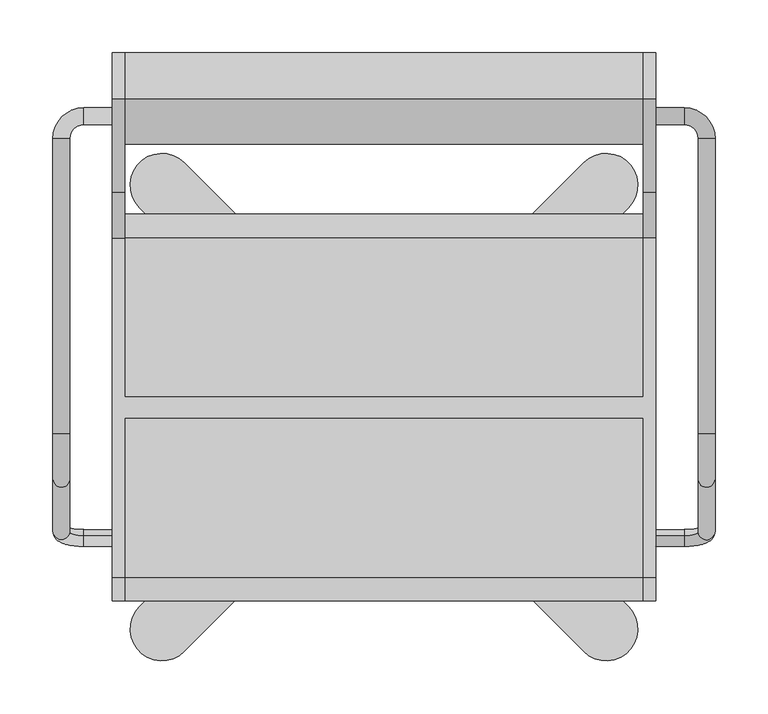
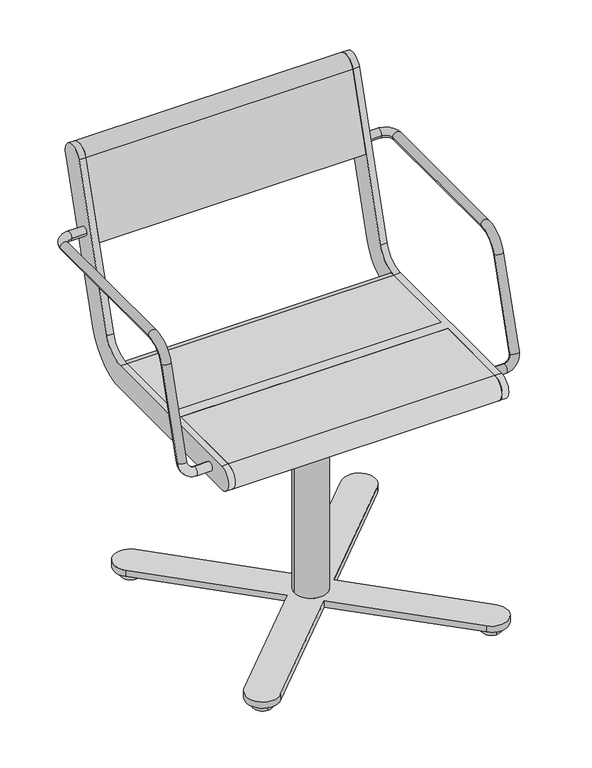
"""IFC4 building model written with IfcOpenShell, lengths in millimetres: furniture geometry."""

from ifc_helpers import new_model, si_unit, point, frame, frame_2d, origin, place, context, project, spatial, polyline, circle_curve, ellipse_curve, trimmed, segment, composite_curve, outline, extrude, source, transform, mapped, element, save
from ifc_brep_helpers import plane_surface, cylinder_surface, revolved_surface, advanced_brep


def furniture_76f07b71(model_context):
    return source(origin(), model_context, "Body", "SolidModel", [
        advanced_brep(
        [(-30.0, 0.0, 389.0), (-30.0, 0.0, 27.0), (30.0, 0.0, 27.0), (30.0, 0.0, 389.0), (75.0, -125.0, 405.0), (75.0, -125.0, 389.0), (75.0, 125.0, 389.0), (75.0, 125.0, 405.0), (-75.0, -125.0, 405.0), (-75.0, 125.0, 405.0), (-75.0, 125.0, 389.0), (-75.0, -125.0, 389.0), (-188.7867966, 231.2132034, 27.0), (-231.2132034, 188.7867966, 27.0), (-42.4264069, 0.0, 27.0), (-231.2132034, -188.7867966, 27.0), (-188.7867966, -231.2132034, 27.0), (0.0, -42.4264069, 27.0), (188.7867966, -231.2132034, 27.0), (231.2132034, -188.7867966, 27.0), (42.4264069, 0.0, 27.0), (231.2132034, 188.7867966, 27.0), (188.7867966, 231.2132034, 27.0), (0.0, 42.4264069, 27.0), (-188.7867966, 231.2132034, 15.0), (0.0, 42.4264069, 15.0), (188.7867966, 231.2132034, 15.0), (231.2132034, 188.7867966, 15.0), (42.4264069, 0.0, 15.0), (231.2132034, -188.7867966, 15.0), (188.7867966, -231.2132034, 15.0), (0.0, -42.4264069, 15.0), (-188.7867966, -231.2132034, 15.0), (-231.2132034, -188.7867966, 15.0), (-42.4264069, 0.0, 15.0), (-231.2132034, 188.7867966, 15.0), (-210.0, 226.9921875, 15.0), (-210.0, 192.9921875, 15.0), (210.0, 226.9921875, 15.0), (210.0, 192.9921875, 15.0), (-210.0, -226.9921875, 15.0), (-210.0, -192.9921875, 15.0), (210.0, -226.9921875, 15.0), (210.0, -192.9921875, 15.0), (-210.0, 226.9921875, 0.0), (-210.0, 192.9921875, 0.0), (210.0, 226.9921875, 0.0), (210.0, 192.9921875, 0.0), (-210.0, -226.9921875, 0.0), (-210.0, -192.9921875, 0.0), (210.0, -226.9921875, 0.0), (210.0, -192.9921875, 0.0)],
        [
            (0, 1),
            (1, 2, circle_curve(frame((0.0, 0.0, 27.0), z_axis=(0.0, 0.0, 1.0), x_axis=(1.0, 0.0, 0.0)), 30.0)),
            (2, 3),
            (3, 0, circle_curve(frame((0.0, 0.0, 389.0), z_axis=(0.0, 0.0, -1.0), x_axis=(1.0, 0.0, 0.0)), 30.0)),
            (0, 3, circle_curve(frame((0.0, 0.0, 389.0), z_axis=(0.0, 0.0, -1.0), x_axis=(1.0, 0.0, 0.0)), 30.0)),
            (2, 1, circle_curve(frame((0.0, 0.0, 27.0), z_axis=(0.0, 0.0, 1.0), x_axis=(1.0, 0.0, 0.0)), 30.0)),
            (4, 5),
            (5, 6),
            (6, 7),
            (7, 4),
            (8, 9),
            (9, 10),
            (10, 11),
            (11, 8),
            (4, 8),
            (11, 5),
            (10, 6),
            (9, 7),
            (12, 13, circle_curve(frame((-210.0, 210.0, 27.0), z_axis=(0.0, 0.0, 1.0), x_axis=(0.0, -1.0, 0.0)), 30.0)),
            (13, 14),
            (14, 15),
            (15, 16, circle_curve(frame((-210.0, -210.0, 27.0), z_axis=(0.0, 0.0, 1.0), x_axis=(1.0, 0.0, 0.0)), 30.0)),
            (16, 17),
            (17, 18),
            (18, 19, circle_curve(frame((210.0, -210.0, 27.0), z_axis=(0.0, 0.0, 1.0), x_axis=(1.0, 0.0, 0.0)), 30.0)),
            (19, 20),
            (20, 21),
            (21, 22, circle_curve(frame((210.0, 210.0, 27.0), z_axis=(0.0, 0.0, 1.0), x_axis=(0.0, -1.0, 0.0)), 30.0)),
            (22, 23),
            (23, 12),
            (24, 25),
            (25, 26),
            (26, 27, circle_curve(frame((210.0, 210.0, 15.0), z_axis=(0.0, 0.0, -1.0), x_axis=(0.0, -1.0, 0.0)), 30.0)),
            (27, 28),
            (28, 29),
            (29, 30, circle_curve(frame((210.0, -210.0, 15.0), z_axis=(0.0, 0.0, -1.0), x_axis=(1.0, 0.0, 0.0)), 30.0)),
            (30, 31),
            (31, 32),
            (32, 33, circle_curve(frame((-210.0, -210.0, 15.0), z_axis=(0.0, 0.0, -1.0), x_axis=(1.0, 0.0, 0.0)), 30.0)),
            (33, 34),
            (34, 35),
            (35, 24, circle_curve(frame((-210.0, 210.0, 15.0), z_axis=(0.0, 0.0, -1.0), x_axis=(0.0, -1.0, 0.0)), 30.0)),
            (36, 37, circle_curve(frame((-210.0, 209.9921875, 15.0), z_axis=(0.0, 0.0, 1.0), x_axis=(0.0, -1.0, 0.0)), 17.0)),
            (37, 36, circle_curve(frame((-210.0, 209.9921875, 15.0), z_axis=(0.0, 0.0, 1.0), x_axis=(0.0, -1.0, 0.0)), 17.0)),
            (38, 39, circle_curve(frame((210.0, 209.9921875, 15.0), z_axis=(0.0, 0.0, 1.0), x_axis=(0.0, -1.0, 0.0)), 17.0)),
            (39, 38, circle_curve(frame((210.0, 209.9921875, 15.0), z_axis=(0.0, 0.0, 1.0), x_axis=(0.0, -1.0, 0.0)), 17.0)),
            (40, 41, circle_curve(frame((-210.0, -209.9921875, 15.0), z_axis=(0.0, 0.0, 1.0), x_axis=(0.0, 1.0, 0.0)), 17.0)),
            (41, 40, circle_curve(frame((-210.0, -209.9921875, 15.0), z_axis=(0.0, 0.0, 1.0), x_axis=(0.0, 1.0, 0.0)), 17.0)),
            (42, 43, circle_curve(frame((210.0, -209.9921875, 15.0), z_axis=(0.0, 0.0, 1.0), x_axis=(0.0, 1.0, 0.0)), 17.0)),
            (43, 42, circle_curve(frame((210.0, -209.9921875, 15.0), z_axis=(0.0, 0.0, 1.0), x_axis=(0.0, 1.0, 0.0)), 17.0)),
            (44, 45, circle_curve(frame((-210.0, 209.9921875, 0.0), z_axis=(0.0, 0.0, -1.0), x_axis=(0.0, -1.0, 0.0)), 17.0)),
            (45, 44, circle_curve(frame((-210.0, 209.9921875, 0.0), z_axis=(0.0, 0.0, -1.0), x_axis=(0.0, -1.0, 0.0)), 17.0)),
            (46, 47, circle_curve(frame((210.0, 209.9921875, 0.0), z_axis=(0.0, 0.0, -1.0), x_axis=(0.0, -1.0, 0.0)), 17.0)),
            (47, 46, circle_curve(frame((210.0, 209.9921875, 0.0), z_axis=(0.0, 0.0, -1.0), x_axis=(0.0, -1.0, 0.0)), 17.0)),
            (48, 49, circle_curve(frame((-210.0, -209.9921875, 0.0), z_axis=(0.0, 0.0, -1.0), x_axis=(0.0, 1.0, 0.0)), 17.0)),
            (49, 48, circle_curve(frame((-210.0, -209.9921875, 0.0), z_axis=(0.0, 0.0, -1.0), x_axis=(0.0, 1.0, 0.0)), 17.0)),
            (50, 51, circle_curve(frame((210.0, -209.9921875, 0.0), z_axis=(0.0, 0.0, -1.0), x_axis=(0.0, 1.0, 0.0)), 17.0)),
            (51, 50, circle_curve(frame((210.0, -209.9921875, 0.0), z_axis=(0.0, 0.0, -1.0), x_axis=(0.0, 1.0, 0.0)), 17.0)),
            (45, 37),
            (36, 44),
            (47, 39),
            (38, 46),
            (12, 24),
            (35, 13),
            (34, 14),
            (33, 15),
            (32, 16),
            (31, 17),
            (30, 18),
            (29, 19),
            (28, 20),
            (27, 21),
            (26, 22),
            (25, 23),
            (49, 41),
            (40, 48),
            (51, 43),
            (42, 50),
        ],
        [
            cylinder_surface(frame((0.0, 0.0, 27.0), z_axis=(0.0, 0.0, 1.0), x_axis=(1.0, 0.0, 0.0)), 30.0),
            plane_surface(frame((75.0, -125.0, 405.0), z_axis=(1.0, 0.0, 0.0), x_axis=(0.0, 0.0, -1.0))),
            plane_surface(frame((-75.0, -125.0, 405.0), z_axis=(-1.0, 0.0, 0.0), x_axis=(0.0, 0.0, 1.0))),
            plane_surface(frame((75.0, -125.0, 405.0), z_axis=(0.0, -1.0, 0.0), x_axis=(-1.0, 0.0, 0.0))),
            plane_surface(frame((75.0, -125.0, 389.0), z_axis=(0.0, 0.0, -1.0), x_axis=(-1.0, 0.0, 0.0))),
            plane_surface(frame((75.0, 125.0, 389.0), z_axis=(0.0, 1.0, 0.0), x_axis=(-1.0, 0.0, 0.0))),
            plane_surface(frame((75.0, 125.0, 405.0), z_axis=(0.0, 0.0, 1.0), x_axis=(-1.0, 0.0, 0.0))),
            plane_surface(frame((-210.0, 180.0, 27.0), z_axis=(0.0, 0.0, 1.0), x_axis=(1.0, 0.0, 0.0))),
            plane_surface(frame((-210.0, 180.0, 15.0), z_axis=(0.0, 0.0, -1.0), x_axis=(-1.0, 0.0, 0.0))),
            plane_surface(frame((-210.0, 192.9921875, 0.0), z_axis=(0.0, 0.0, -1.0), x_axis=(-1.0, 0.0, 0.0))),
            cylinder_surface(frame((-210.0, 209.9921875, 0.0), z_axis=(0.0, 0.0, 1.0), x_axis=(0.0, -1.0, 0.0)), 17.0),
            cylinder_surface(frame((210.0, 209.9921875, 0.0), z_axis=(0.0, 0.0, 1.0), x_axis=(0.0, -1.0, 0.0)), 17.0),
            cylinder_surface(frame((-210.0, 210.0, 15.0), z_axis=(0.0, 0.0, 1.0), x_axis=(0.0, -1.0, 0.0)), 30.0),
            plane_surface(frame((-231.2132034, 188.7867966, 27.0), z_axis=(-0.7071067811865475, -0.7071067811865476, 0.0), x_axis=(0.0, 0.0, -1.0))),
            plane_surface(frame((-42.4264069, 0.0, 27.0), z_axis=(-0.7071067811865476, 0.7071067811865476, 0.0), x_axis=(0.0, 0.0, -1.0))),
            cylinder_surface(frame((-210.0, -210.0, 15.0), z_axis=(0.0, 0.0, 1.0), x_axis=(1.0, 0.0, 0.0)), 30.0),
            plane_surface(frame((-188.7867966, -231.2132034, 27.0), z_axis=(0.7071067811865476, -0.7071067811865475, 0.0), x_axis=(0.0, 0.0, -1.0))),
            plane_surface(frame((0.0, -42.4264069, 27.0), z_axis=(-0.7071067811865478, -0.7071067811865472, 0.0), x_axis=(0.0, 0.0, -1.0))),
            cylinder_surface(frame((210.0, -210.0, 15.0), z_axis=(0.0, 0.0, 1.0), x_axis=(1.0, 0.0, 0.0)), 30.0),
            plane_surface(frame((231.2132034, -188.7867966, 27.0), z_axis=(0.7071067811865477, 0.7071067811865474, 0.0), x_axis=(0.0, 0.0, -1.0))),
            plane_surface(frame((42.4264069, 0.0, 27.0), z_axis=(0.7071067811865478, -0.7071067811865474, 0.0), x_axis=(0.0, 0.0, -1.0))),
            cylinder_surface(frame((210.0, 210.0, 15.0), z_axis=(0.0, 0.0, 1.0), x_axis=(0.0, -1.0, 0.0)), 30.0),
            plane_surface(frame((188.7867966, 231.2132034, 27.0), z_axis=(-0.7071067811865472, 0.7071067811865479, 0.0), x_axis=(0.0, 0.0, -1.0))),
            plane_surface(frame((0.0, 42.4264069, 27.0), z_axis=(0.7071067811865478, 0.7071067811865472, 0.0), x_axis=(0.0, 0.0, -1.0))),
            cylinder_surface(frame((-210.0, -209.9921875, 0.0), z_axis=(0.0, 0.0, 1.0), x_axis=(0.0, 1.0, 0.0)), 17.0),
            cylinder_surface(frame((210.0, -209.9921875, 0.0), z_axis=(0.0, 0.0, 1.0), x_axis=(0.0, 1.0, 0.0)), 17.0),
        ],
        [
            (0, [[1, 2, 3, 4]]),
            (0, [[-1, 5, -3, 6]]),
            (1, [[7, 8, 9, 10]]),
            (2, [[11, 12, 13, 14]]),
            (3, [[-7, 15, -14, 16]]),
            (4, [[-8, -16, -13, 17], [-4, -5]]),
            (5, [[-9, -17, -12, 18]]),
            (6, [[-10, -18, -11, -15]]),
            (7, [[19, 20, 21, 22, 23, 24, 25, 26, 27, 28, 29, 30], [-2, -6]]),
            (8, [[31, 32, 33, 34, 35, 36, 37, 38, 39, 40, 41, 42], [43, 44], [45, 46], [47, 48], [49, 50]]),
            (9, [[51, 52]]),
            (9, [[53, 54]]),
            (9, [[55, 56]]),
            (9, [[57, 58]]),
            (10, [[-52, 59, -43, 60]]),
            (10, [[-51, -60, -44, -59]]),
            (11, [[-54, 61, -45, 62]]),
            (11, [[-53, -62, -46, -61]]),
            (12, [[-19, 63, -42, 64]]),
            (13, [[-20, -64, -41, 65]]),
            (14, [[-21, -65, -40, 66]]),
            (15, [[-22, -66, -39, 67]]),
            (16, [[-23, -67, -38, 68]]),
            (17, [[-24, -68, -37, 69]]),
            (18, [[-25, -69, -36, 70]]),
            (19, [[-26, -70, -35, 71]]),
            (20, [[-27, -71, -34, 72]]),
            (21, [[-28, -72, -33, 73]]),
            (22, [[-29, -73, -32, 74]]),
            (23, [[-30, -74, -31, -63]]),
            (24, [[-56, 75, -47, 76]]),
            (24, [[-55, -76, -48, -75]]),
            (25, [[-58, 77, -49, 78]]),
            (25, [[-57, -78, -50, -77]]),
        ],
    ),
        advanced_brep(
        [(-257.0, -121.6610264, 435.150438), (-257.0, -126.3389736, 419.849562), (-284.0, -126.3389736, 419.849562), (-284.0, -121.6610264, 435.150438), (-313.0, -117.8601942, 447.5823999), (-297.0, -117.8601942, 447.5823999), (-313.0, 254.0, 641.5), (-313.0, -25.2753858, 641.5), (-297.0, -25.2753858, 641.5), (-297.0, 254.0, 641.5), (-297.0, -68.3090998, 609.6567267), (-313.0, -68.3090998, 609.6567267), (-257.0, 267.0, 641.5), (-257.0, 283.0, 641.5), (-284.0, 283.0, 641.5), (-284.0, 267.0, 641.5)],
        [
            (0, 1, circle_curve(frame((-257.0, -124.0, 427.5), z_axis=(1.0, 0.0, 0.0), x_axis=(0.0, -0.2923717047227402, -0.9563047559630344)), 8.0)),
            (1, 0, circle_curve(frame((-257.0, -124.0, 427.5), z_axis=(1.0, 0.0, 0.0), x_axis=(0.0, -0.2923717047227402, -0.9563047559630344)), 8.0)),
            (1, 2),
            (2, 3, circle_curve(frame((-284.0, -124.0, 427.5), z_axis=(1.0, 0.0, 0.0), x_axis=(0.0, -0.2923717047227402, -0.9563047559630344)), 8.0)),
            (3, 0),
            (3, 2, circle_curve(frame((-284.0, -124.0, 427.5), z_axis=(1.0, 0.0, 0.0), x_axis=(0.0, -0.2923717047227402, -0.9563047559630344)), 8.0)),
            (2, 4, circle_curve(frame((-284.0, -117.8601942, 447.5823999), z_axis=(0.0, 0.9563047559630344, -0.29237170472274027), x_axis=(0.0, -0.29237170472274027, -0.9563047559630344)), 29.0)),
            (4, 5, circle_curve(frame((-305.0, -117.8601942, 447.5823999), z_axis=(0.0, -0.29237170472274027, -0.9563047559630344), x_axis=(-1.0, 0.0, 0.0)), 8.0)),
            (5, 3, circle_curve(frame((-284.0, -117.8601942, 447.5823999), z_axis=(0.0, -0.9563047559630344, 0.29237170472274027), x_axis=(0.0, -0.29237170472274027, -0.9563047559630344)), 13.0)),
            (5, 4, circle_curve(frame((-305.0, -117.8601942, 447.5823999), z_axis=(0.0, -0.29237170472274027, -0.9563047559630344), x_axis=(-1.0, 0.0, 0.0)), 8.0)),
            (6, 7),
            (7, 8, circle_curve(frame((-305.0, -25.2753858, 641.5), z_axis=(0.0, 1.0, 0.0), x_axis=(-1.0, 0.0, 0.0)), 8.0)),
            (8, 9),
            (9, 6, circle_curve(frame((-305.0, 254.0, 641.5), z_axis=(0.0, -1.0, 0.0), x_axis=(-1.0, 0.0, 0.0)), 8.0)),
            (6, 9, circle_curve(frame((-305.0, 254.0, 641.5), z_axis=(0.0, -1.0, 0.0), x_axis=(-1.0, 0.0, 0.0)), 8.0)),
            (8, 7, circle_curve(frame((-305.0, -25.2753858, 641.5), z_axis=(0.0, 1.0, 0.0), x_axis=(-1.0, 0.0, 0.0)), 8.0)),
            (10, 11, circle_curve(frame((-305.0, -68.3090998, 609.6567267), z_axis=(0.0, -0.2923717047227378, -0.9563047559630351), x_axis=(-1.0, 0.0, 0.0)), 8.0)),
            (11, 4),
            (5, 10),
            (11, 10, circle_curve(frame((-305.0, -68.3090998, 609.6567267), z_axis=(0.0, -0.2923717047227378, -0.9563047559630351), x_axis=(-1.0, 0.0, 0.0)), 8.0)),
            (7, 11, circle_curve(frame((-313.0, -25.2753858, 596.5), z_axis=(1.0, 0.0, 0.0), x_axis=(0.0, 0.0, 1.0)), 45.0)),
            (10, 8, circle_curve(frame((-297.0, -25.2753858, 596.5), z_axis=(-1.0, 0.0, 0.0), x_axis=(0.0, 0.0, 1.0)), 45.0)),
            (12, 13, circle_curve(frame((-257.0, 275.0, 641.5), z_axis=(1.0, 0.0, 0.0), x_axis=(0.0, 1.0, 0.0)), 8.0)),
            (13, 12, circle_curve(frame((-257.0, 275.0, 641.5), z_axis=(1.0, 0.0, 0.0), x_axis=(0.0, 1.0, 0.0)), 8.0)),
            (13, 14),
            (14, 15, circle_curve(frame((-284.0, 275.0, 641.5), z_axis=(1.0, 0.0, 0.0), x_axis=(0.0, 1.0, 0.0)), 8.0)),
            (15, 12),
            (15, 14, circle_curve(frame((-284.0, 275.0, 641.5), z_axis=(1.0, 0.0, 0.0), x_axis=(0.0, 1.0, 0.0)), 8.0)),
            (14, 6, circle_curve(frame((-284.0, 254.0, 641.5), z_axis=(0.0, 0.0, 1.0), x_axis=(0.0, 1.0, 0.0)), 29.0)),
            (9, 15, circle_curve(frame((-284.0, 254.0, 641.5), z_axis=(0.0, 0.0, -1.0), x_axis=(0.0, 1.0, 0.0)), 13.0)),
        ],
        [
            plane_surface(frame((-257.0, -737.469501, 615.0564486), z_axis=(1.0, 0.0, 0.0), x_axis=(0.0, 0.9563047559630344, -0.29237170472274027))),
            cylinder_surface(frame((-257.0, -124.0, 427.5), z_axis=(1.0, 0.0, 0.0), x_axis=(0.0, -0.2923717047227402, -0.9563047559630344)), 8.0),
            revolved_surface(trimmed(ellipse_curve(frame((-284.0, -124.0, 427.5), z_axis=(1.0, 0.0, 0.0), x_axis=(0.0, -0.2923717047227402, -0.9563047559630344)), 8.0, 8.0), [point((-284.0, -126.3389736, 419.849562))], [point((-284.0, -121.6610264, 435.150438))], True, "CARTESIAN"), (-284.0, -731.3296952, 635.1388485), (0.0, 0.9563047559630344, -0.29237170472274027)),
            revolved_surface(trimmed(ellipse_curve(frame((-284.0, -124.0, 427.5), z_axis=(1.0, 0.0, 0.0), x_axis=(0.0, -0.2923717047227402, -0.9563047559630344)), 8.0, 8.0), [point((-284.0, -121.6610264, 435.150438))], [point((-284.0, -126.3389736, 419.849562))], True, "CARTESIAN"), (-284.0, -731.3296952, 635.1388485), (0.0, 0.9563047559630344, -0.29237170472274027)),
            cylinder_surface(frame((-305.0, 254.0, 641.5), z_axis=(0.0, 1.0, 0.0), x_axis=(-1.0, 0.0, 0.0)), 8.0),
            cylinder_surface(frame((-305.0, -68.3090998, 609.6567267), z_axis=(0.0, 0.2923717047227378, 0.9563047559630351), x_axis=(-1.0, 0.0, 0.0)), 8.0),
            revolved_surface(trimmed(ellipse_curve(frame((-305.0, -25.2753858, 641.5), z_axis=(0.0, 1.0, 0.0), x_axis=(-1.0, 0.0, 0.0)), 8.0, 8.0), [point((-313.0, -25.2753858, 641.5))], [point((-297.0, -25.2753858, 641.5))], True, "CARTESIAN"), (0.0, -25.2753858, 596.5), (1.0, 0.0, 0.0)),
            revolved_surface(trimmed(ellipse_curve(frame((-305.0, -25.2753858, 641.5), z_axis=(0.0, 1.0, 0.0), x_axis=(-1.0, 0.0, 0.0)), 8.0, 8.0), [point((-297.0, -25.2753858, 641.5))], [point((-313.0, -25.2753858, 641.5))], True, "CARTESIAN"), (0.0, -25.2753858, 596.5), (1.0, 0.0, 0.0)),
            plane_surface(frame((-257.0, 275.0, 405.0), z_axis=(1.0, 0.0, 0.0), x_axis=(0.0, 0.0, 1.0))),
            cylinder_surface(frame((-257.0, 275.0, 641.5), z_axis=(1.0, 0.0, 0.0), x_axis=(0.0, 1.0, 0.0)), 8.0),
            revolved_surface(trimmed(ellipse_curve(frame((-284.0, 275.0, 641.5), z_axis=(1.0, 0.0, 0.0), x_axis=(0.0, 1.0, 0.0)), 8.0, 8.0), [point((-284.0, 283.0, 641.5))], [point((-284.0, 267.0, 641.5))], True, "CARTESIAN"), (-284.0, 254.0, 405.0), (0.0, 0.0, 1.0)),
            revolved_surface(trimmed(ellipse_curve(frame((-284.0, 275.0, 641.5), z_axis=(1.0, 0.0, 0.0), x_axis=(0.0, 1.0, 0.0)), 8.0, 8.0), [point((-284.0, 267.0, 641.5))], [point((-284.0, 283.0, 641.5))], True, "CARTESIAN"), (-284.0, 254.0, 405.0), (0.0, 0.0, 1.0)),
        ],
        [
            (0, [[1, 2]]),
            (1, [[-2, 3, 4, 5]]),
            (1, [[-1, -5, 6, -3]]),
            (2, [[-4, 7, 8, 9]]),
            (3, [[-6, -9, 10, -7]]),
            (4, [[11, 12, 13, 14]]),
            (4, [[-11, 15, -13, 16]]),
            (5, [[17, 18, -10, 19]]),
            (5, [[-18, 20, -19, -8]]),
            (6, [[-12, 21, -17, 22]]),
            (7, [[-16, -22, -20, -21]]),
            (8, [[23, 24]]),
            (9, [[-24, 25, 26, 27]]),
            (9, [[-23, -27, 28, -25]]),
            (10, [[-26, 29, -14, 30]]),
            (11, [[-28, -30, -15, -29]]),
        ],
    ),
        advanced_brep(
        [(297.0, 254.0, 641.5), (297.0, -25.2753858, 641.5), (313.0, -25.2753858, 641.5), (313.0, 254.0, 641.5), (313.0, -68.3090998, 609.6567267), (297.0, -68.3090998, 609.6567267), (297.0, -117.8601942, 447.5823999), (313.0, -117.8601942, 447.5823999), (257.0, 267.0, 641.5), (257.0, 283.0, 641.5), (284.0, 267.0, 641.5), (284.0, 283.0, 641.5), (257.0, -121.6610264, 435.150438), (257.0, -126.3389736, 419.849562), (284.0, -121.6610264, 435.150438), (284.0, -126.3389736, 419.849562)],
        [
            (0, 1),
            (1, 2, circle_curve(frame((305.0, -25.2753858, 641.5), z_axis=(0.0, 1.0, 0.0), x_axis=(1.0, 0.0, 0.0)), 8.0)),
            (2, 3),
            (3, 0, circle_curve(frame((305.0, 254.0, 641.5), z_axis=(0.0, -1.0, 0.0), x_axis=(1.0, 0.0, 0.0)), 8.0)),
            (0, 3, circle_curve(frame((305.0, 254.0, 641.5), z_axis=(0.0, -1.0, 0.0), x_axis=(1.0, 0.0, 0.0)), 8.0)),
            (2, 1, circle_curve(frame((305.0, -25.2753858, 641.5), z_axis=(0.0, 1.0, 0.0), x_axis=(1.0, 0.0, 0.0)), 8.0)),
            (4, 5, circle_curve(frame((305.0, -68.3090998, 609.6567267), z_axis=(0.0, -0.2923717047227378, -0.9563047559630351), x_axis=(1.0, 0.0, 0.0)), 8.0)),
            (5, 6),
            (6, 7, circle_curve(frame((305.0, -117.8601942, 447.5823999), z_axis=(0.0, 0.2923717047227378, 0.9563047559630351), x_axis=(1.0, 0.0, 0.0)), 8.0)),
            (7, 4),
            (5, 4, circle_curve(frame((305.0, -68.3090998, 609.6567267), z_axis=(0.0, -0.2923717047227378, -0.9563047559630351), x_axis=(1.0, 0.0, 0.0)), 8.0)),
            (7, 6, circle_curve(frame((305.0, -117.8601942, 447.5823999), z_axis=(0.0, 0.2923717047227378, 0.9563047559630351), x_axis=(1.0, 0.0, 0.0)), 8.0)),
            (1, 5, circle_curve(frame((297.0, -25.2753858, 596.5), z_axis=(1.0, 0.0, 0.0), x_axis=(0.0, 0.0, 1.0)), 45.0)),
            (4, 2, circle_curve(frame((313.0, -25.2753858, 596.5), z_axis=(-1.0, 0.0, 0.0), x_axis=(0.0, 0.0, 1.0)), 45.0)),
            (8, 9, circle_curve(frame((257.0, 275.0, 641.5), z_axis=(-1.0, 0.0, 0.0), x_axis=(0.0, 1.0, 0.0)), 8.0)),
            (9, 8, circle_curve(frame((257.0, 275.0, 641.5), z_axis=(-1.0, 0.0, 0.0), x_axis=(0.0, 1.0, 0.0)), 8.0)),
            (8, 10),
            (10, 11, circle_curve(frame((284.0, 275.0, 641.5), z_axis=(-1.0, 0.0, 0.0), x_axis=(0.0, 1.0, 0.0)), 8.0)),
            (11, 9),
            (11, 10, circle_curve(frame((284.0, 275.0, 641.5), z_axis=(-1.0, 0.0, 0.0), x_axis=(0.0, 1.0, 0.0)), 8.0)),
            (10, 0, circle_curve(frame((284.0, 254.0, 641.5), z_axis=(0.0, 0.0, -1.0), x_axis=(0.0, 1.0, 0.0)), 13.0)),
            (3, 11, circle_curve(frame((284.0, 254.0, 641.5), z_axis=(0.0, 0.0, 1.0), x_axis=(0.0, 1.0, 0.0)), 29.0)),
            (12, 13, circle_curve(frame((257.0, -124.0, 427.5), z_axis=(-1.0, 0.0, 0.0), x_axis=(0.0, -0.2923717047227402, -0.9563047559630344)), 8.0)),
            (13, 12, circle_curve(frame((257.0, -124.0, 427.5), z_axis=(-1.0, 0.0, 0.0), x_axis=(0.0, -0.2923717047227402, -0.9563047559630344)), 8.0)),
            (12, 14),
            (14, 15, circle_curve(frame((284.0, -124.0, 427.5), z_axis=(-1.0, 0.0, 0.0), x_axis=(0.0, -0.2923717047227402, -0.9563047559630344)), 8.0)),
            (15, 13),
            (15, 14, circle_curve(frame((284.0, -124.0, 427.5), z_axis=(-1.0, 0.0, 0.0), x_axis=(0.0, -0.2923717047227402, -0.9563047559630344)), 8.0)),
            (14, 6, circle_curve(frame((284.0, -117.8601942, 447.5823999), z_axis=(0.0, -0.9563047559630344, 0.2923717047227402), x_axis=(0.0, -0.2923717047227402, -0.9563047559630344)), 13.0)),
            (7, 15, circle_curve(frame((284.0, -117.8601942, 447.5823999), z_axis=(0.0, 0.9563047559630344, -0.2923717047227402), x_axis=(0.0, -0.2923717047227402, -0.9563047559630344)), 29.0)),
        ],
        [
            cylinder_surface(frame((305.0, 254.0, 641.5), z_axis=(0.0, 1.0, 0.0), x_axis=(1.0, 0.0, 0.0)), 8.0),
            cylinder_surface(frame((305.0, -68.3090998, 609.6567267), z_axis=(0.0, 0.2923717047227378, 0.9563047559630351), x_axis=(1.0, 0.0, 0.0)), 8.0),
            revolved_surface(trimmed(ellipse_curve(frame((305.0, -25.2753858, 641.5), z_axis=(0.0, 1.0, 0.0), x_axis=(1.0, 0.0, 0.0)), 8.0, 8.0), [point((297.0, -25.2753858, 641.5))], [point((313.0, -25.2753858, 641.5))], True, "CARTESIAN"), (0.0, -25.2753858, 596.5), (1.0, 0.0, 0.0)),
            revolved_surface(trimmed(ellipse_curve(frame((305.0, -25.2753858, 641.5), z_axis=(0.0, 1.0, 0.0), x_axis=(1.0, 0.0, 0.0)), 8.0, 8.0), [point((313.0, -25.2753858, 641.5))], [point((297.0, -25.2753858, 641.5))], True, "CARTESIAN"), (0.0, -25.2753858, 596.5), (1.0, 0.0, 0.0)),
            plane_surface(frame((257.0, 275.0, 405.0), z_axis=(-1.0, 0.0, 0.0), x_axis=(0.0, 0.0, 1.0))),
            cylinder_surface(frame((257.0, 275.0, 641.5), z_axis=(-1.0, 0.0, 0.0), x_axis=(0.0, 1.0, 0.0)), 8.0),
            revolved_surface(trimmed(ellipse_curve(frame((284.0, 275.0, 641.5), z_axis=(-1.0, 0.0, 0.0), x_axis=(0.0, 1.0, 0.0)), 8.0, 8.0), [point((284.0, 267.0, 641.5))], [point((284.0, 283.0, 641.5))], True, "CARTESIAN"), (284.0, 254.0, 405.0), (0.0, 0.0, -1.0)),
            revolved_surface(trimmed(ellipse_curve(frame((284.0, 275.0, 641.5), z_axis=(-1.0, 0.0, 0.0), x_axis=(0.0, 1.0, 0.0)), 8.0, 8.0), [point((284.0, 283.0, 641.5))], [point((284.0, 267.0, 641.5))], True, "CARTESIAN"), (284.0, 254.0, 405.0), (0.0, 0.0, -1.0)),
            plane_surface(frame((257.0, -737.469501, 615.0564486), z_axis=(-1.0, 0.0, 0.0), x_axis=(0.0, 0.9563047559630344, -0.2923717047227402))),
            cylinder_surface(frame((257.0, -124.0, 427.5), z_axis=(-1.0, 0.0, 0.0), x_axis=(0.0, -0.2923717047227402, -0.9563047559630344)), 8.0),
            revolved_surface(trimmed(ellipse_curve(frame((284.0, -124.0, 427.5), z_axis=(-1.0, 0.0, 0.0), x_axis=(0.0, -0.2923717047227402, -0.9563047559630344)), 8.0, 8.0), [point((284.0, -121.6610264, 435.150438))], [point((284.0, -126.3389736, 419.849562))], True, "CARTESIAN"), (284.0, -731.3296952, 635.1388485), (0.0, -0.9563047559630344, 0.2923717047227402)),
            revolved_surface(trimmed(ellipse_curve(frame((284.0, -124.0, 427.5), z_axis=(-1.0, 0.0, 0.0), x_axis=(0.0, -0.2923717047227402, -0.9563047559630344)), 8.0, 8.0), [point((284.0, -126.3389736, 419.849562))], [point((284.0, -121.6610264, 435.150438))], True, "CARTESIAN"), (284.0, -731.3296952, 635.1388485), (0.0, -0.9563047559630344, 0.2923717047227402)),
        ],
        [
            (0, [[1, 2, 3, 4]]),
            (0, [[-1, 5, -3, 6]]),
            (1, [[7, 8, 9, 10]]),
            (1, [[-8, 11, -10, 12]]),
            (2, [[-2, 13, -7, 14]]),
            (3, [[-6, -14, -11, -13]]),
            (4, [[15, 16]]),
            (5, [[-15, 17, 18, 19]]),
            (5, [[-16, -19, 20, -17]]),
            (6, [[-18, 21, -4, 22]]),
            (7, [[-20, -22, -5, -21]]),
            (8, [[23, 24]]),
            (9, [[-23, 25, 26, 27]]),
            (9, [[-24, -27, 28, -25]]),
            (10, [[-26, 29, -12, 30]]),
            (11, [[-28, -30, -9, -29]]),
        ],
    ),
        advanced_brep(
        [(-245.0, 291.0375971, 769.6910048), (-245.0, 203.033714, 481.8432733), (-245.0, 160.0, 450.0), (-245.0, 9.5, 450.0), (-245.0, 9.5, 405.0), (-245.0, 160.0, 405.0), (-245.0, 246.067428, 468.6865466), (-245.0, 334.0713112, 756.5342781), (-245.0, -161.0, 450.0), (-245.0, -161.0, 405.0), (-245.0, -10.5, 405.0), (-245.0, -10.5, 450.0), (-257.0, 291.0375971, 769.6910048), (-257.0, 334.0713112, 756.5342781), (-257.0, 246.067428, 468.6865466), (-257.0, 160.0, 405.0), (-257.0, -161.0, 405.0), (-257.0, -161.0, 450.0), (-257.0, 160.0, 450.0), (-257.0, 203.033714, 481.8432733), (245.0, -10.5, 450.0), (245.0, -161.0, 450.0), (257.0, -161.0, 450.0), (257.0, 160.0, 450.0), (245.0, 160.0, 450.0), (245.0, 9.5, 450.0), (245.0, 9.5, 405.0), (245.0, 160.0, 405.0), (257.0, 160.0, 405.0), (257.0, -161.0, 405.0), (245.0, -161.0, 405.0), (245.0, -10.5, 405.0), (257.0, 291.0375971, 769.6910048), (257.0, 203.033714, 481.8432733), (257.0, 246.067428, 468.6865466), (257.0, 334.0713112, 756.5342781), (245.0, 291.0375971, 769.6910048), (245.0, 334.0713112, 756.5342781), (245.0, 246.067428, 468.6865466), (245.0, 203.033714, 481.8432733)],
        [
            (0, 1),
            (1, 2, circle_curve(frame((-245.0, 160.0, 495.0), z_axis=(-1.0, 0.0, 0.0), x_axis=(0.0, -1.0, 0.0)), 45.0)),
            (2, 3),
            (3, 4),
            (4, 5),
            (5, 6, circle_curve(frame((-245.0, 160.0, 495.0), z_axis=(1.0, 0.0, 0.0), x_axis=(0.0, -1.0, 0.0)), 90.0)),
            (6, 7),
            (7, 0, circle_curve(frame((-245.0, 312.5544541, 763.1126415), z_axis=(1.0, 0.0, 0.0), x_axis=(0.0, -1.0, 0.0)), 22.5)),
            (8, 9, circle_curve(frame((-245.0, -161.0, 427.5), z_axis=(1.0, 0.0, 0.0), x_axis=(0.0, -1.0, 0.0)), 22.5)),
            (9, 10),
            (10, 11),
            (11, 8),
            (12, 13, circle_curve(frame((-257.0, 312.5544541, 763.1126415), z_axis=(-1.0, 0.0, 0.0), x_axis=(0.0, -1.0, 0.0)), 22.5)),
            (13, 14),
            (14, 15, circle_curve(frame((-257.0, 160.0, 495.0), z_axis=(-1.0, 0.0, 0.0), x_axis=(0.0, -1.0, 0.0)), 90.0)),
            (15, 16),
            (16, 17, circle_curve(frame((-257.0, -161.0, 427.5), z_axis=(-1.0, 0.0, 0.0), x_axis=(0.0, -1.0, 0.0)), 22.5)),
            (17, 18),
            (18, 19, circle_curve(frame((-257.0, 160.0, 495.0), z_axis=(1.0, 0.0, 0.0), x_axis=(0.0, -1.0, 0.0)), 45.0)),
            (19, 12),
            (0, 12),
            (19, 1),
            (18, 2),
            (17, 8),
            (11, 20),
            (20, 21),
            (21, 22),
            (22, 23),
            (23, 24),
            (24, 25),
            (25, 3),
            (15, 5),
            (4, 26),
            (26, 27),
            (27, 28),
            (28, 29),
            (29, 30),
            (30, 31),
            (31, 10),
            (9, 16),
            (14, 6),
            (13, 7),
            (31, 20),
            (25, 26),
            (32, 33),
            (33, 23, circle_curve(frame((257.0, 160.0, 495.0), z_axis=(-1.0, 0.0, 0.0), x_axis=(0.0, -1.0, 0.0)), 45.0)),
            (22, 29, circle_curve(frame((257.0, -161.0, 427.5), z_axis=(1.0, 0.0, 0.0), x_axis=(0.0, -1.0, 0.0)), 22.5)),
            (28, 34, circle_curve(frame((257.0, 160.0, 495.0), z_axis=(1.0, 0.0, 0.0), x_axis=(0.0, -1.0, 0.0)), 90.0)),
            (34, 35),
            (35, 32, circle_curve(frame((257.0, 312.5544541, 763.1126415), z_axis=(1.0, 0.0, 0.0), x_axis=(0.0, -1.0, 0.0)), 22.5)),
            (36, 37, circle_curve(frame((245.0, 312.5544541, 763.1126415), z_axis=(-1.0, 0.0, 0.0), x_axis=(0.0, -1.0, 0.0)), 22.5)),
            (37, 38),
            (38, 27, circle_curve(frame((245.0, 160.0, 495.0), z_axis=(-1.0, 0.0, 0.0), x_axis=(0.0, -1.0, 0.0)), 90.0)),
            (24, 39, circle_curve(frame((245.0, 160.0, 495.0), z_axis=(1.0, 0.0, 0.0), x_axis=(0.0, -1.0, 0.0)), 45.0)),
            (39, 36),
            (30, 21, circle_curve(frame((245.0, -161.0, 427.5), z_axis=(-1.0, 0.0, 0.0), x_axis=(0.0, -1.0, 0.0)), 22.5)),
            (32, 36),
            (39, 33),
            (38, 34),
            (37, 35),
        ],
        [
            plane_surface(frame((-245.0, 203.033714, 481.8432733), z_axis=(1.0000000000000002, 0.0, 0.0), x_axis=(0.0, -0.29237170472273394, -0.9563047559630364))),
            plane_surface(frame((-257.0, 203.033714, 481.8432733), z_axis=(-1.0000000000000002, 0.0, 0.0), x_axis=(0.0, 0.29237170472273394, 0.9563047559630364))),
            plane_surface(frame((-245.0, 291.0375971, 769.6910048), z_axis=(0.0, -0.9563047559630364, 0.29237170472273394), x_axis=(-1.0, 0.0, 0.0))),
            revolved_surface(polyline([(-257.0, 115.0, 495.0), (-245.0, 115.0, 495.0)]), (-257.0, 160.0, 495.0), (-1.0, 0.0, 0.0)),
            plane_surface(frame((-245.0, 160.0, 450.0), z_axis=(0.0, 0.0, 1.0), x_axis=(-1.0, 0.0, 0.0))),
            plane_surface(frame((-245.0, -161.0, 405.0), z_axis=(0.0, 0.0, -1.0), x_axis=(-1.0, 0.0, 0.0))),
            cylinder_surface(frame((-257.0, 160.0, 495.0), z_axis=(1.0, 0.0, 0.0), x_axis=(0.0, -1.0, 0.0)), 90.0),
            plane_surface(frame((-245.0, 246.067428, 468.6865466), z_axis=(0.0, 0.9563047559630364, -0.29237170472273366), x_axis=(-1.0, 0.0, 0.0))),
            cylinder_surface(frame((-257.0, 312.5544541, 763.1126415), z_axis=(1.0, 0.0, 0.0), x_axis=(0.0, -1.0, 0.0)), 22.5),
            cylinder_surface(frame((-257.0, -161.0, 427.5), z_axis=(1.0, 0.0, 0.0), x_axis=(0.0, -1.0, 0.0)), 22.5),
            plane_surface(frame((245.0, -10.5, 450.0), z_axis=(0.0, -1.0, 0.0), x_axis=(-1.0, 0.0, 0.0))),
            plane_surface(frame((245.0, 9.5, 405.0), z_axis=(0.0, 1.0, 0.0), x_axis=(-1.0, 0.0, 0.0))),
            plane_surface(frame((257.0, 203.033714, 481.8432733), z_axis=(1.0000000000000002, 0.0, 0.0), x_axis=(0.0, -0.29237170472273394, -0.9563047559630364))),
            plane_surface(frame((245.0, 203.033714, 481.8432733), z_axis=(-1.0000000000000002, 0.0, 0.0), x_axis=(0.0, 0.29237170472273394, 0.9563047559630364))),
            plane_surface(frame((257.0, 291.0375971, 769.6910048), z_axis=(0.0, -0.9563047559630364, 0.29237170472273394), x_axis=(-1.0, 0.0, 0.0))),
            revolved_surface(polyline([(245.0, 115.0, 495.0), (257.0, 115.0, 495.0)]), (245.0, 160.0, 495.0), (-1.0, 0.0, 0.0)),
            cylinder_surface(frame((245.0, 160.0, 495.0), z_axis=(1.0, 0.0, 0.0), x_axis=(0.0, -1.0, 0.0)), 90.0),
            plane_surface(frame((257.0, 246.067428, 468.6865466), z_axis=(0.0, 0.9563047559630364, -0.29237170472273366), x_axis=(-1.0, 0.0, 0.0))),
            cylinder_surface(frame((245.0, 312.5544541, 763.1126415), z_axis=(1.0, 0.0, 0.0), x_axis=(0.0, -1.0, 0.0)), 22.5),
            cylinder_surface(frame((245.0, -161.0, 427.5), z_axis=(1.0, 0.0, 0.0), x_axis=(0.0, -1.0, 0.0)), 22.5),
        ],
        [
            (0, [[1, 2, 3, 4, 5, 6, 7, 8]]),
            (0, [[9, 10, 11, 12]]),
            (1, [[13, 14, 15, 16, 17, 18, 19, 20]]),
            (2, [[-1, 21, -20, 22]]),
            (3, [[-2, -22, -19, 23]]),
            (4, [[-18, 24, -12, 25, 26, 27, 28, 29, 30, 31, -3, -23]]),
            (5, [[-16, 32, -5, 33, 34, 35, 36, 37, 38, 39, -10, 40]]),
            (6, [[-6, -32, -15, 41]]),
            (7, [[-7, -41, -14, 42]]),
            (8, [[-8, -42, -13, -21]]),
            (9, [[-9, -24, -17, -40]]),
            (10, [[-25, -11, -39, 43]]),
            (11, [[-31, 44, -33, -4]]),
            (12, [[45, 46, -28, 47, -36, 48, 49, 50]]),
            (13, [[51, 52, 53, -34, -44, -30, 54, 55]]),
            (13, [[56, -26, -43, -38]]),
            (14, [[-45, 57, -55, 58]]),
            (15, [[-46, -58, -54, -29]]),
            (16, [[-48, -35, -53, 59]]),
            (17, [[-49, -59, -52, 60]]),
            (18, [[-50, -60, -51, -57]]),
            (19, [[-47, -27, -56, -37]]),
        ],
    ),
        extrude(outline(composite_curve([segment(trimmed(circle_curve(frame_2d((312.5544541, 763.1126415)), 22.5), [point((291.0375971, 769.6910048))], [point((334.0713112, 756.5342781))], False, "CARTESIAN"), True, "CONTINUOUS"), segment(polyline([(334.0713112, 756.5342781), (291.5312281, 617.3919361), (248.4975141, 630.5486628), (291.0375971, 769.6910048)]), True, "CONTINUOUS")], self_intersect=False)), frame((-245.0, 0.0, 0.0), z_axis=(1.0, 0.0, 0.0), x_axis=(0.0, 1.0, 0.0)), (0.0, 0.0, 1.0), 490.0),
        extrude(outline(composite_curve([segment(polyline([(9.5, 405.0), (9.5, 450.0), (160.0, 450.0)]), True, "CONTINUOUS"), segment(trimmed(circle_curve(frame_2d((160.0, 427.5)), 22.5), [point((160.0, 450.0))], [point((160.0, 405.0))], False, "CARTESIAN"), True, "CONTINUOUS"), segment(polyline([(160.0, 405.0), (9.5, 405.0)]), True, "CONTINUOUS")], self_intersect=False)), frame((-245.0, 0.0, 0.0), z_axis=(1.0, 0.0, 0.0), x_axis=(0.0, 1.0, 0.0)), (0.0, 0.0, 1.0), 490.0),
        extrude(outline(composite_curve([segment(polyline([(-10.5, 405.0), (-161.0, 405.0)]), True, "CONTINUOUS"), segment(trimmed(circle_curve(frame_2d((-161.0, 427.5)), 22.5), [point((-161.0, 405.0))], [point((-161.0, 450.0))], False, "CARTESIAN"), True, "CONTINUOUS"), segment(polyline([(-161.0, 450.0), (-10.5, 450.0), (-10.5, 405.0)]), True, "CONTINUOUS")], self_intersect=False)), frame((-245.0, 0.0, 0.0), z_axis=(1.0, 0.0, 0.0), x_axis=(0.0, 1.0, 0.0)), (0.0, 0.0, 1.0), 490.0),
    ])


if __name__ == "__main__":
    model = new_model("IFC4")
    model_context = context("Model", 3, world=origin())
    ifc_project = project(units=[si_unit("LENGTHUNIT", "METRE", prefix="MILLI")], contexts=[model_context])
    site = spatial("IfcSite", under=ifc_project)
    building = spatial("IfcBuilding", under=site)
    placement = place(None, origin())
    furniture_shape = furniture_76f07b71(model_context)
    element("IfcFurniture", 1, at=placement, inside=building, context=model_context, shape_type="MappedRepresentation", body=[
        mapped(furniture_shape, transform((0.0, 0.0, 0.0), x_axis=(1.0, 0.0, 0.0), y_axis=(0.0, 1.0, 0.0), z_axis=(0.0, 0.0, 1.0))),
    ])
    save(model, "model.ifc")
